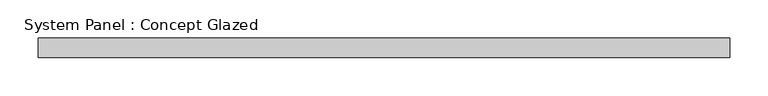
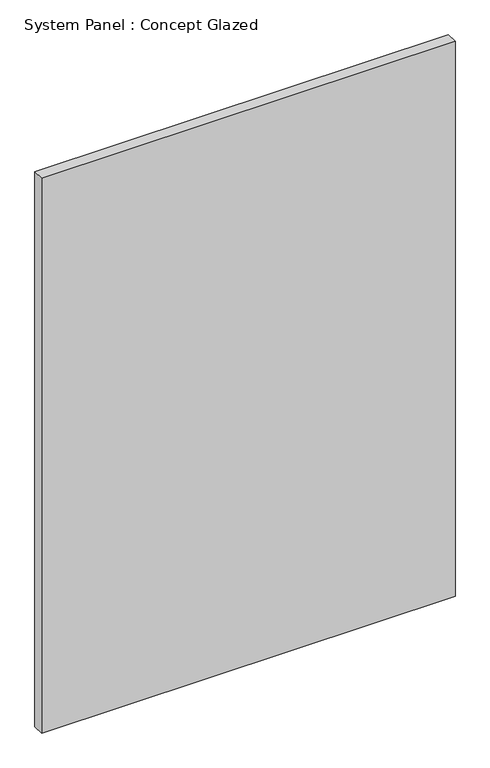
"""IFC4 building model written with IfcOpenShell, lengths in millimetres: plate geometry, System Panel : Concept Glazed."""

from ifc_helpers import new_model, si_unit, origin, origin_with_axes, place, context, project, spatial, polyline, outline, extrude, source, transform, mapped, element, save


def system_panel_concept_glazed_08510677(model_context):
    return source(origin(), model_context, "Body", "SweptSolid", [
        extrude(outline(polyline([(450.625, 0.0), (-450.625, 0.0), (-450.625, 25.0), (450.625, 25.0), (450.625, 0.0)])), origin_with_axes(), (0.0, 0.0, 1.0), 1278.1058359),
    ])


if __name__ == "__main__":
    model = new_model("IFC4")
    model_context = context("Model", 3, world=origin())
    ifc_project = project(units=[si_unit("LENGTHUNIT", "METRE", prefix="MILLI")], contexts=[model_context])
    site = spatial("IfcSite", under=ifc_project)
    building = spatial("IfcBuilding", under=site)
    placement = place(None, origin())
    system_panel_concept_glazed_shape = system_panel_concept_glazed_08510677(model_context)
    element("IfcPlate", 1, ObjectType="System Panel : Concept Glazed", at=placement, inside=building, context=model_context, shape_type="MappedRepresentation", body=[
        mapped(system_panel_concept_glazed_shape, transform((0.0, 0.0, 0.0), x_axis=(1.0, 0.0, 0.0), y_axis=(0.0, 1.0, 0.0), z_axis=(0.0, 0.0, 1.0))),
    ])
    save(model, "model.ifc")
